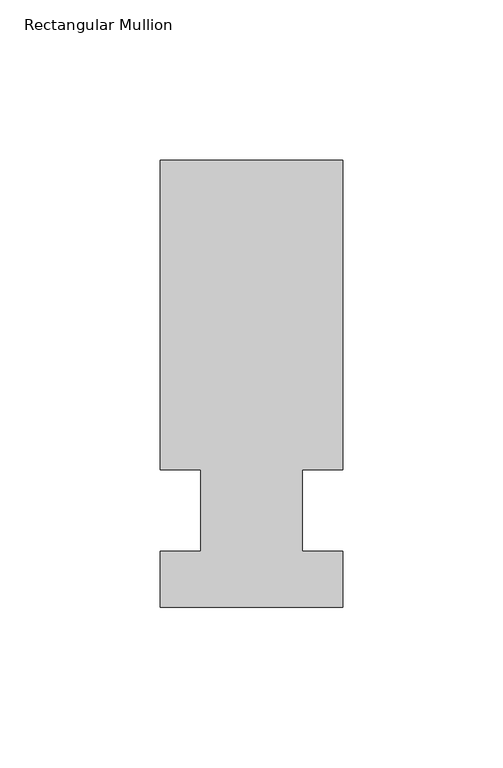
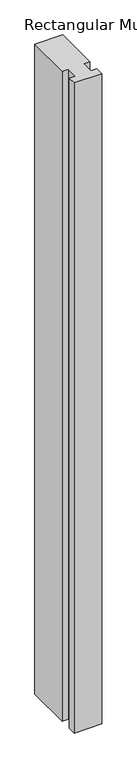
"""IFC4 building model written with IfcOpenShell, lengths in millimetres: member geometry, Rectangular Mullion."""

from ifc_helpers import new_model, si_unit, frame, origin, place, context, project, spatial, polyline, outline, extrude, source, transform, mapped, element, save


def rectangular_mullion_f58f2ba8(model_context):
    return source(origin(), model_context, "Body", "SweptSolid", [
        extrude(outline(polyline([(32.9094027, 109.5375), (32.9094027, 12.7), (20.2076322, 12.7), (20.2076322, -12.7), (32.9094027, -12.7), (32.9094027, -30.1625), (-24.2405973, -30.1625), (-24.2405973, -12.7), (-11.5405973, -12.7), (-11.5405973, 12.7), (-24.2405973, 12.7), (-24.2405973, 109.5375), (32.9094027, 109.5375)])), frame((0.0, 0.0, -1416.1510693), z_axis=(0.0, 0.0, 1.0), x_axis=(1.0, 0.0, 0.0)), (0.0, 0.0, 1.0), 1416.1510693),
    ])


if __name__ == "__main__":
    model = new_model("IFC4")
    model_context = context("Model", 3, world=origin())
    ifc_project = project(units=[si_unit("LENGTHUNIT", "METRE", prefix="MILLI")], contexts=[model_context])
    site = spatial("IfcSite", under=ifc_project)
    building = spatial("IfcBuilding", under=site)
    placement = place(None, origin())
    rectangular_mullion_shape = rectangular_mullion_f58f2ba8(model_context)
    element("IfcMember", 1, ObjectType="Rectangular Mullion", at=placement, inside=building, context=model_context, shape_type="MappedRepresentation", body=[
        mapped(rectangular_mullion_shape, transform((0.0, 0.0, 0.0), x_axis=(1.0, 0.0, 0.0), y_axis=(0.0, 1.0, 0.0), z_axis=(0.0, 0.0, 1.0))),
    ])
    save(model, "model.ifc")
